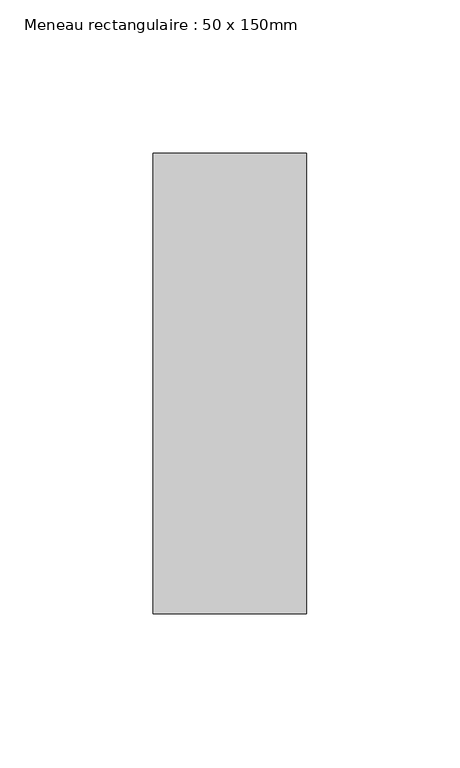
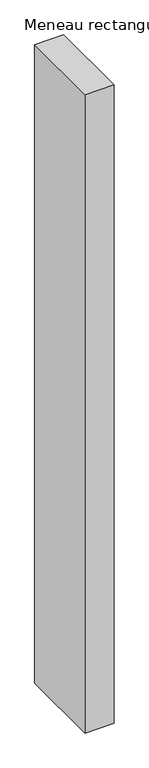
"""IFC4 building model written with IfcOpenShell, lengths in millimetres: member geometry, Meneau rectangulaire : 50 x 150mm."""

from ifc_helpers import new_model, si_unit, frame, origin, place, context, project, spatial, polyline, outline, extrude, source, transform, mapped, element, save


def meneau_rectangulaire_50_x_150mm_e4f9bdfa(model_context):
    return source(origin(), model_context, "Body", "SweptSolid", [
        extrude(outline(polyline([(25.0, 75.0), (25.0, -75.0), (-25.0, -75.0), (-25.0, 75.0), (25.0, 75.0)])), frame((0.0, 0.0, -1162.2767875), z_axis=(0.0, 0.0, 1.0), x_axis=(1.0, 0.0, 0.0)), (0.0, 0.0, 1.0), 1162.2767875),
    ])


if __name__ == "__main__":
    model = new_model("IFC4")
    model_context = context("Model", 3, world=origin())
    ifc_project = project(units=[si_unit("LENGTHUNIT", "METRE", prefix="MILLI")], contexts=[model_context])
    site = spatial("IfcSite", under=ifc_project)
    building = spatial("IfcBuilding", under=site)
    placement = place(None, origin())
    meneau_rectangulaire_50_x_150mm_shape = meneau_rectangulaire_50_x_150mm_e4f9bdfa(model_context)
    element("IfcMember", 1, ObjectType="Meneau rectangulaire : 50 x 150mm", at=placement, inside=building, context=model_context, shape_type="MappedRepresentation", body=[
        mapped(meneau_rectangulaire_50_x_150mm_shape, transform((0.0, 0.0, 0.0), x_axis=(1.0, 0.0, 0.0), y_axis=(0.0, 1.0, 0.0), z_axis=(0.0, 0.0, 1.0))),
    ])
    save(model, "model.ifc")
